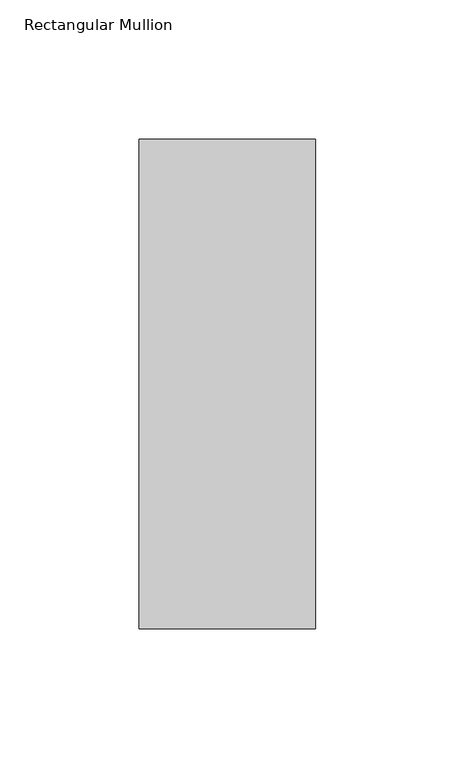
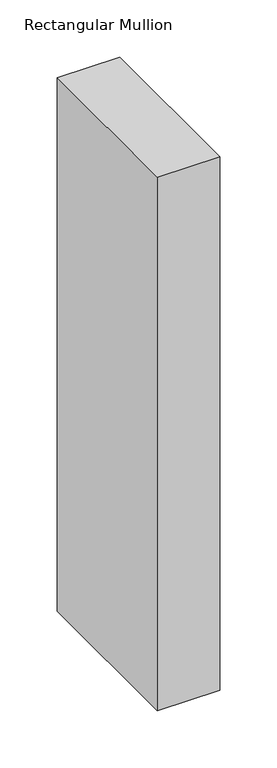
"""IFC4 building model written with IfcOpenShell, lengths in millimetres: member geometry, Rectangular Mullion."""

from ifc_helpers import new_model, si_unit, frame, origin, place, context, project, spatial, polyline, outline, extrude, source, transform, mapped, element, save


def rectangular_mullion_0ea253b4(model_context):
    return source(origin(), model_context, "Body", "SweptSolid", [
        extrude(outline(polyline([(-63.5, 222.5381312), (-5e-07, 222.5381313), (-5e-07, 46.7447302), (-63.5, 46.7447302), (-63.5, 222.5381312)])), frame((0.0, 0.0, -571.3114229), z_axis=(0.0, 0.0, 1.0), x_axis=(1.0, 0.0, 0.0)), (0.0, 0.0, 1.0), 571.3114229),
    ])


if __name__ == "__main__":
    model = new_model("IFC4")
    model_context = context("Model", 3, world=origin())
    ifc_project = project(units=[si_unit("LENGTHUNIT", "METRE", prefix="MILLI")], contexts=[model_context])
    site = spatial("IfcSite", under=ifc_project)
    building = spatial("IfcBuilding", under=site)
    placement = place(None, origin())
    rectangular_mullion_shape = rectangular_mullion_0ea253b4(model_context)
    element("IfcMember", 1, ObjectType="Rectangular Mullion", at=placement, inside=building, context=model_context, shape_type="MappedRepresentation", body=[
        mapped(rectangular_mullion_shape, transform((0.0, 0.0, 0.0), x_axis=(1.0, 0.0, 0.0), y_axis=(0.0, 1.0, 0.0), z_axis=(0.0, 0.0, 1.0))),
    ])
    save(model, "model.ifc")
